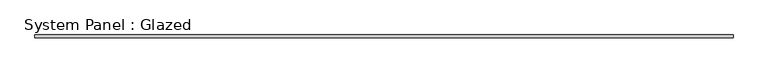
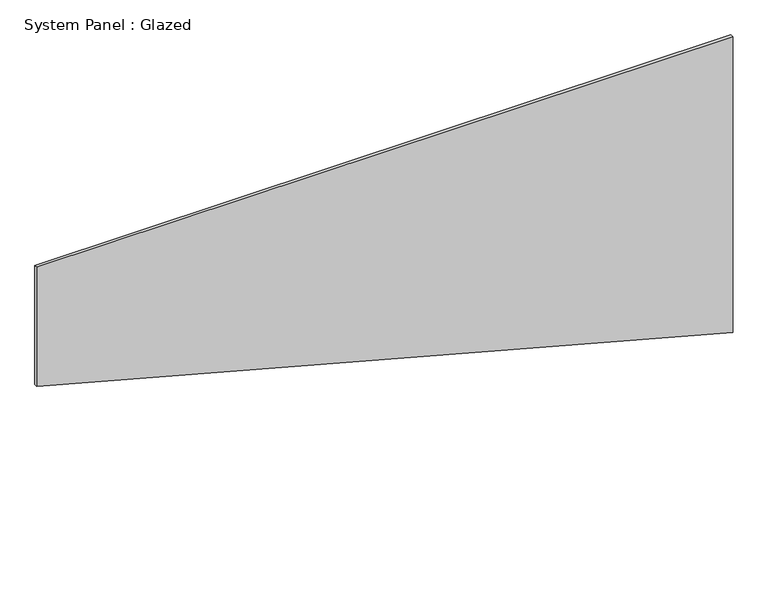
"""IFC4 building model written with IfcOpenShell, lengths in millimetres: plate geometry, System Panel : Glazed."""

from ifc_helpers import new_model, si_unit, frame, origin, place, context, project, spatial, polyline, outline, extrude, source, transform, mapped, element, save


def system_panel_glazed_f346cc33(model_context):
    return source(origin(), model_context, "Body", "SweptSolid", [
        extrude(outline(polyline([(1567.5027757, -2925.0), (0.0, 2925.0), (2628.1798582, 2925.0), (2628.1798582, -2925.0), (1567.5027757, -2925.0)])), frame((0.0, -22.5, 0.0), z_axis=(0.0, 1.0, 0.0), x_axis=(0.0, 0.0, 1.0)), (0.0, 0.0, 1.0), 25.0),
    ])


if __name__ == "__main__":
    model = new_model("IFC4")
    model_context = context("Model", 3, world=origin())
    ifc_project = project(units=[si_unit("LENGTHUNIT", "METRE", prefix="MILLI")], contexts=[model_context])
    site = spatial("IfcSite", under=ifc_project)
    building = spatial("IfcBuilding", under=site)
    placement = place(None, origin())
    system_panel_glazed_shape = system_panel_glazed_f346cc33(model_context)
    element("IfcPlate", 1, ObjectType="System Panel : Glazed", at=placement, inside=building, context=model_context, shape_type="MappedRepresentation", body=[
        mapped(system_panel_glazed_shape, transform((0.0, 0.0, 0.0), x_axis=(1.0, 0.0, 0.0), y_axis=(0.0, 1.0, 0.0), z_axis=(0.0, 0.0, 1.0))),
    ])
    save(model, "model.ifc")
